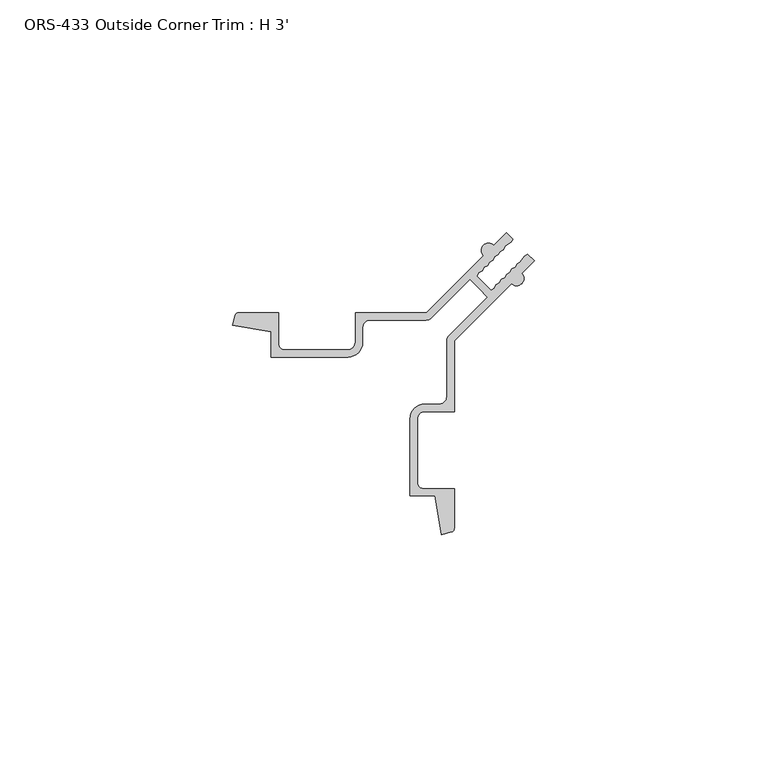
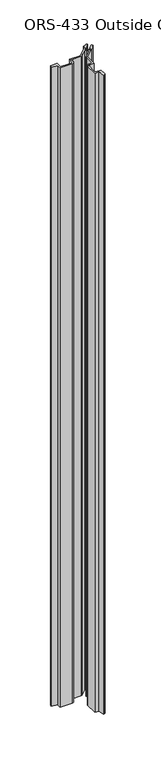
"""IFC4 building model written with IfcOpenShell, lengths in millimetres: proxy geometry, ORS-433 Outside Corner Trim : H 3'."""

from ifc_helpers import new_model, si_unit, point, frame_2d, origin, origin_with_axes, place, context, project, spatial, polyline, circle_curve, trimmed, segment, composite_curve, outline, extrude, source, transform, mapped, element, save


def ors_433_outside_corner_trim_h_3_e41c2d96(model_context):
    return source(origin(), model_context, "Body", "SweptSolid", [
        extrude(outline(composite_curve([segment(trimmed(circle_curve(frame_2d((36.2723655, 36.2723655)), 37.30498), [point((47.1313957, 0.5828293))], [point((44.9888461, 0.0))], False, "CARTESIAN"), True, "CONTINUOUS"), segment(polyline([(44.9888461, 0.0), (43.5626519, 8.3289739), (38.1949811, 8.3289739), (38.1949811, 24.9221382)]), True, "CONTINUOUS"), segment(trimmed(circle_curve(frame_2d((41.3198018, 24.9221382)), 3.1248207), [point((38.1949811, 24.9221382))], [point((41.3198018, 28.0469589))], False, "CARTESIAN"), True, "CONTINUOUS"), segment(polyline([(41.3198018, 28.0469589), (44.5318645, 28.0469589)]), True, "CONTINUOUS"), segment(trimmed(circle_curve(frame_2d((44.5318645, 29.6119153)), 1.5649564), [point((44.5318645, 28.0469589))], [point((46.0968209, 29.6119153))], True, "CARTESIAN"), True, "CONTINUOUS"), segment(polyline([(46.0968209, 29.6119153), (46.0968209, 41.6593283)]), True, "CONTINUOUS"), segment(trimmed(circle_curve(frame_2d((47.6894223, 41.6593283)), 1.5926014), [point((46.0968209, 41.6593283))], [point((46.5651522, 42.7873335))], False, "CARTESIAN"), True, "CONTINUOUS"), segment(polyline([(46.5651522, 42.7873335), (54.8464242, 51.0580705), (52.9534529, 52.9534529), (51.058979, 54.8478722), (42.7838035, 46.5724577)]), True, "CONTINUOUS"), segment(trimmed(circle_curve(frame_2d((41.6612389, 47.6949899)), 1.5875232), [point((42.7838035, 46.5724577))], [point((41.6612389, 46.1074667))], False, "CARTESIAN"), True, "CONTINUOUS"), segment(polyline([(41.6612389, 46.1074667), (29.5887669, 46.1074667)]), True, "CONTINUOUS"), segment(trimmed(circle_curve(frame_2d((29.5887669, 44.5199809)), 1.5874858), [point((29.5887669, 46.1074667))], [point((28.0012811, 44.5199809))], True, "CARTESIAN"), True, "CONTINUOUS"), segment(polyline([(28.0012811, 44.5199809), (28.0012811, 41.3322962)]), True, "CONTINUOUS"), segment(trimmed(circle_curve(frame_2d((24.8262772, 41.3322962)), 3.175004), [point((28.0012811, 41.3322962))], [point((24.8262772, 38.1572923))], False, "CARTESIAN"), True, "CONTINUOUS"), segment(polyline([(24.8262772, 38.1572923), (8.3289739, 38.1572923), (8.3289739, 43.5626519), (0.0, 44.9888461), (0.5828293, 47.1313957)]), True, "CONTINUOUS"), segment(trimmed(circle_curve(frame_2d((1.343422, 46.8999749)), 0.79502), [point((0.5828293, 47.1313957))], [point((1.343422, 47.6949949))], False, "CARTESIAN"), True, "CONTINUOUS"), segment(polyline([(1.343422, 47.6949949), (9.9037739, 47.6949949), (9.9037739, 41.0147949)]), True, "CONTINUOUS"), segment(trimmed(circle_curve(frame_2d((11.1737739, 41.0147949)), 1.27), [point((9.9037739, 41.0147949))], [point((11.1737739, 39.7447949))], True, "CARTESIAN"), True, "CONTINUOUS"), segment(polyline([(11.1737739, 39.7447949), (24.8262739, 39.7447949)]), True, "CONTINUOUS"), segment(trimmed(circle_curve(frame_2d((24.8262739, 41.3322949)), 1.5875), [point((24.8262739, 39.7447949))], [point((26.4137739, 41.3322949))], True, "CARTESIAN"), True, "CONTINUOUS"), segment(polyline([(26.4137739, 41.3322949), (26.4137739, 47.6949949), (41.6791739, 47.6949949), (53.9593059, 59.9751269)]), True, "CONTINUOUS"), segment(trimmed(circle_curve(frame_2d((55.0728576, 61.0886787)), 1.5748), [point((53.9593059, 59.9751269))], [point((56.1864094, 62.2022305))], False, "CARTESIAN"), True, "CONTINUOUS"), segment(polyline([(56.1864094, 62.2022305), (58.8894665, 64.9052876), (60.3348125, 63.4599416), (59.853887, 62.8353317), (58.6179024, 61.9585574), (58.2447399, 61.2261846), (57.5099523, 60.8506074), (57.1367898, 60.1182346), (56.3697227, 59.7103778), (55.9965601, 58.978005), (55.229493, 58.5701482), (54.8563305, 57.8377754), (54.0892634, 57.4299186), (53.7161008, 56.6975458), (52.9490338, 56.289689), (52.5758712, 55.5573162), (55.5573162, 52.5758712), (56.289689, 52.9490337), (56.6975458, 53.7161007), (57.4299186, 54.0892632), (57.8377754, 54.8563303), (58.5701482, 55.2294928), (58.9780051, 55.9965599), (59.7103779, 56.3697224), (60.1182347, 57.1367895), (60.8506075, 57.509952), (61.2261848, 58.2447395), (61.9585576, 58.6179021), (62.835332, 59.8538866), (63.482081, 60.312673), (64.9052876, 58.8894665), (62.2022305, 56.1864094)]), True, "CONTINUOUS"), segment(trimmed(circle_curve(frame_2d((61.0886787, 55.0728576)), 1.5748), [point((62.2022305, 56.1864094))], [point((59.9751269, 53.9593059))], False, "CARTESIAN"), True, "CONTINUOUS"), segment(polyline([(59.9751269, 53.9593059), (47.6949949, 41.6791739), (47.6949949, 26.4137739), (41.3322949, 26.4137739)]), True, "CONTINUOUS"), segment(trimmed(circle_curve(frame_2d((41.3322949, 24.8262739)), 1.5875), [point((41.3322949, 26.4137739))], [point((39.7447949, 24.8262739))], True, "CARTESIAN"), True, "CONTINUOUS"), segment(polyline([(39.7447949, 24.8262739), (39.7447949, 11.1737739)]), True, "CONTINUOUS"), segment(trimmed(circle_curve(frame_2d((41.0147949, 11.1737739)), 1.27), [point((39.7447949, 11.1737739))], [point((41.0147949, 9.9037739))], True, "CARTESIAN"), True, "CONTINUOUS"), segment(polyline([(41.0147949, 9.9037739), (47.6949949, 9.9037739), (47.6949949, 1.343422)]), True, "CONTINUOUS"), segment(trimmed(circle_curve(frame_2d((46.8999749, 1.343422)), 0.79502), [point((47.6949949, 1.343422))], [point((47.1313957, 0.5828293))], False, "CARTESIAN"), True, "CONTINUOUS")], self_intersect=False)), origin_with_axes(), (0.0, 0.0, 1.0), 914.4),
    ])


if __name__ == "__main__":
    model = new_model("IFC4")
    model_context = context("Model", 3, world=origin())
    ifc_project = project(units=[si_unit("LENGTHUNIT", "METRE", prefix="MILLI")], contexts=[model_context])
    site = spatial("IfcSite", under=ifc_project)
    building = spatial("IfcBuilding", under=site)
    placement = place(None, origin())
    ors_433_outside_corner_trim_h_3_shape = ors_433_outside_corner_trim_h_3_e41c2d96(model_context)
    element("IfcBuildingElementProxy", 1, Name="ORS-433 Outside Corner Trim : H 3'", ObjectType="ORS-433 Outside Corner Trim : H 3'", at=placement, inside=building, context=model_context, shape_type="MappedRepresentation", body=[
        mapped(ors_433_outside_corner_trim_h_3_shape, transform((0.0, 0.0, 0.0), x_axis=(1.0, 0.0, 0.0), y_axis=(0.0, 1.0, 0.0), z_axis=(0.0, 0.0, 1.0))),
    ])
    save(model, "model.ifc")
